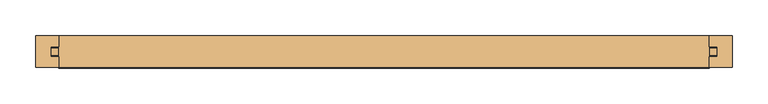
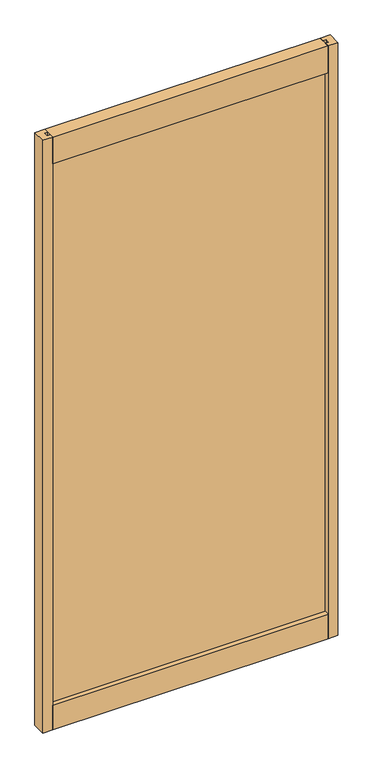
"""IFC4 building model written with IfcOpenShell, lengths in millimetres: door geometry."""

from ifc_helpers import new_model, si_unit, frame, origin, place, context, project, spatial, polyline, outline, extrude, source, transform, mapped, element, save


def door_c67bedd5(model_context):
    return source(origin(), model_context, "Body", "SweptSolid", [
        extrude(outline(polyline([(468.8664326, -5.0038), (-468.8664326, -5.0038), (-468.8664326, 5.0038), (468.8664326, 5.0038), (468.8664326, -5.0038)])), frame((0.0, 0.0, 95.25), z_axis=(0.0, 0.0, 1.0), x_axis=(1.0, 0.0, 0.0)), (0.0, 0.0, 1.0), 1916.1635027),
        extrude(outline(polyline([(-490.4564326, -22.225), (-490.4564326, 22.225), (-457.4364326, 22.225), (-457.4364326, 7.239), (-468.8664326, 7.239), (-468.8664326, -7.239), (-457.4364326, -7.239), (-457.4364326, -22.225), (-490.4564326, -22.225)])), frame((0.0, 0.0, 12.7), z_axis=(0.0, 0.0, 1.0), x_axis=(1.0, 0.0, 0.0)), (0.0, 0.0, 1.0), 2081.2635027),
        extrude(outline(polyline([(490.4564326, -22.225), (457.4364326, -22.225), (457.4364326, -7.239), (468.8664326, -7.239), (468.8664326, 7.239), (457.4364326, 7.239), (457.4364326, 22.225), (490.4564326, 22.225), (490.4564326, -22.225)])), frame((0.0, 0.0, 12.7), z_axis=(0.0, 0.0, 1.0), x_axis=(1.0, 0.0, 0.0)), (0.0, 0.0, 1.0), 2081.2635027),
        extrude(outline(polyline([(-22.733, 12.7), (-22.733, 99.06), (-7.239, 99.06), (-7.239, 87.63), (7.239, 87.63), (7.239, 99.06), (22.733, 99.06), (22.733, 12.7), (-22.733, 12.7)])), frame((-457.4364326, 0.0, 0.0), z_axis=(1.0, 0.0, 0.0), x_axis=(0.0, 1.0, 0.0)), (0.0, 0.0, 1.0), 914.8728651),
        extrude(outline(polyline([(22.225, 2093.9635027), (22.225, 1999.9835027), (6.731, 1999.9835027), (6.731, 2011.4135027), (-6.731, 2011.4135027), (-6.731, 1999.9835027), (-22.225, 1999.9835027), (-22.225, 2093.9635027), (22.225, 2093.9635027)])), frame((-457.4364326, 0.0, 0.0), z_axis=(1.0, 0.0, 0.0), x_axis=(0.0, 1.0, 0.0)), (0.0, 0.0, 1.0), 914.8728651),
    ])


if __name__ == "__main__":
    model = new_model("IFC4")
    model_context = context("Model", 3, world=origin())
    ifc_project = project(units=[si_unit("LENGTHUNIT", "METRE", prefix="MILLI")], contexts=[model_context])
    site = spatial("IfcSite", under=ifc_project)
    building = spatial("IfcBuilding", under=site)
    placement = place(None, origin())
    door_shape = door_c67bedd5(model_context)
    element("IfcDoor", 1, at=placement, inside=building, context=model_context, shape_type="MappedRepresentation", body=[
        mapped(door_shape, transform((0.0, 0.0, 0.0), x_axis=(1.0, 0.0, 0.0), y_axis=(0.0, 1.0, 0.0), z_axis=(0.0, 0.0, 1.0))),
    ])
    save(model, "model.ifc")
